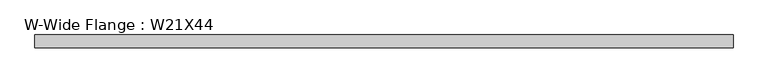
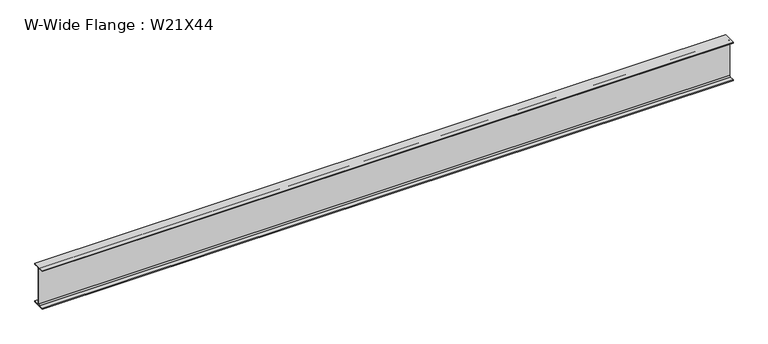
"""IFC4 building model written with IfcOpenShell, lengths in millimetres: beam geometry, W-Wide Flange : W21X44."""

from ifc_helpers import new_model, si_unit, point, frame, frame_2d, origin, place, context, project, spatial, polyline, circle_curve, trimmed, segment, composite_curve, outline, extrude, source, transform, mapped, element, save


def w_wide_flange_w21x44_d3680ed9(model_context):
    return source(origin(), model_context, "Body", "SweptSolid", [
        extrude(outline(composite_curve([segment(polyline([(82.55, -251.4699219), (82.55, -262.8800781), (-82.55, -262.8800781), (-82.55, -251.4699219), (-21.6296875, -251.4699219)]), True, "CONTINUOUS"), segment(trimmed(circle_curve(frame_2d((-21.6296875, -234.3050781)), 17.1648437), [point((-21.6296875, -251.4699219))], [point((-4.4648438, -234.3050781))], True, "CARTESIAN"), True, "CONTINUOUS"), segment(polyline([(-4.4648438, -234.3050781), (-4.4648438, 234.3050781)]), True, "CONTINUOUS"), segment(trimmed(circle_curve(frame_2d((-21.6296875, 234.3050781)), 17.1648437), [point((-4.4648438, 234.3050781))], [point((-21.6296875, 251.4699219))], True, "CARTESIAN"), True, "CONTINUOUS"), segment(polyline([(-21.6296875, 251.4699219), (-82.55, 251.4699219), (-82.55, 262.8800781), (82.55, 262.8800781), (82.55, 251.4699219), (21.6296875, 251.4699219)]), True, "CONTINUOUS"), segment(trimmed(circle_curve(frame_2d((21.6296875, 234.3050781)), 17.1648437), [point((21.6296875, 251.4699219))], [point((4.4648437, 234.3050781))], True, "CARTESIAN"), True, "CONTINUOUS"), segment(polyline([(4.4648437, 234.3050781), (4.4648437, -234.3050781)]), True, "CONTINUOUS"), segment(trimmed(circle_curve(frame_2d((21.6296875, -234.3050781)), 17.1648437), [point((4.4648437, -234.3050781))], [point((21.6296875, -251.4699219))], True, "CARTESIAN"), True, "CONTINUOUS"), segment(polyline([(21.6296875, -251.4699219), (82.55, -251.4699219)]), True, "CONTINUOUS")], self_intersect=False)), frame((-4454.2769531, 0.0, 0.0), z_axis=(1.0, 0.0, 0.0), x_axis=(0.0, 1.0, 0.0)), (0.0, 0.0, 1.0), 8908.5539063),
    ])


if __name__ == "__main__":
    model = new_model("IFC4")
    model_context = context("Model", 3, world=origin())
    ifc_project = project(units=[si_unit("LENGTHUNIT", "METRE", prefix="MILLI")], contexts=[model_context])
    site = spatial("IfcSite", under=ifc_project)
    building = spatial("IfcBuilding", under=site)
    placement = place(None, origin())
    w_wide_flange_w21x44_shape = w_wide_flange_w21x44_d3680ed9(model_context)
    element("IfcBeam", 1, ObjectType="W-Wide Flange : W21X44", at=placement, inside=building, context=model_context, shape_type="MappedRepresentation", body=[
        mapped(w_wide_flange_w21x44_shape, transform((0.0, 0.0, 0.0), x_axis=(1.0, 0.0, 0.0), y_axis=(0.0, 1.0, 0.0), z_axis=(0.0, 0.0, 1.0))),
    ])
    save(model, "model.ifc")
